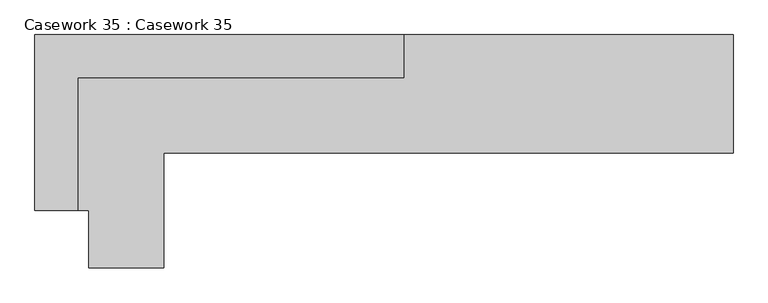
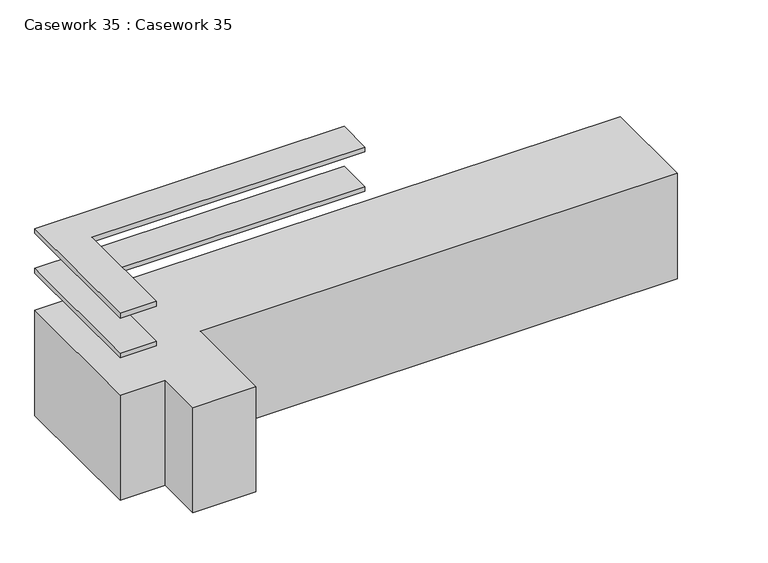
"""IFC4 building model written with IfcOpenShell, lengths in millimetres: furniture geometry, Casework 35 : Casework 35."""

from ifc_helpers import new_model, si_unit, frame, origin, place, context, project, spatial, polyline, outline, extrude, source, transform, mapped, element, save


def casework_35_casework_35_051a4d01(model_context):
    return source(origin(), model_context, "Body", "SweptSolid", [
        extrude(outline(polyline([(-25500.5168784, 35821.2572022), (-22884.3168784, 35821.2572022), (-22884.3168784, 35516.4572022), (-25195.7168784, 35516.4572022), (-25195.7168784, 34572.2710011), (-25500.5168784, 34572.2710011), (-25500.5168784, 35821.2572022)])), frame((0.0, 0.0, -9647.9931263), z_axis=(0.0, 0.0, 1.0), x_axis=(1.0, 0.0, 0.0)), (0.0, 0.0, 1.0), 42.1818271),
        extrude(outline(polyline([(-25500.5168784, 35821.2572022), (-22884.3168784, 35821.2572022), (-22884.3168784, 35516.4572022), (-25195.7168784, 35516.4572022), (-25195.7168784, 34572.2710011), (-25500.5168784, 34572.2710011), (-25500.5168784, 35821.2572022)])), frame((0.0, 0.0, -10003.5931263), z_axis=(0.0, 0.0, 1.0), x_axis=(1.0, 0.0, 0.0)), (0.0, 0.0, 1.0), 42.1818271),
        extrude(outline(polyline([(-20547.5168784, 35821.2572022), (-20547.5168784, 34983.0572022), (-24586.1168784, 34983.0572022), (-24586.1168784, 34165.8710011), (-25119.5168784, 34165.8710011), (-25119.5168784, 34572.2710011), (-25500.5168784, 34572.2710011), (-25500.5168784, 35821.2572022), (-20547.5168784, 35821.2572022)])), frame((0.0, 0.0, -11277.6), z_axis=(0.0, 0.0, 1.0), x_axis=(1.0, 0.0, 0.0)), (0.0, 0.0, 1.0), 940.7704393),
    ])


if __name__ == "__main__":
    model = new_model("IFC4")
    model_context = context("Model", 3, world=origin())
    ifc_project = project(units=[si_unit("LENGTHUNIT", "METRE", prefix="MILLI")], contexts=[model_context])
    site = spatial("IfcSite", under=ifc_project)
    building = spatial("IfcBuilding", under=site)
    placement = place(None, origin())
    casework_35_casework_35_shape = casework_35_casework_35_051a4d01(model_context)
    element("IfcFurniture", 1, ObjectType="Casework 35 : Casework 35", at=placement, inside=building, context=model_context, shape_type="MappedRepresentation", body=[
        mapped(casework_35_casework_35_shape, transform((0.0, 0.0, 0.0), x_axis=(1.0, 0.0, 0.0), y_axis=(0.0, 1.0, 0.0), z_axis=(0.0, 0.0, 1.0))),
    ])
    save(model, "model.ifc")
